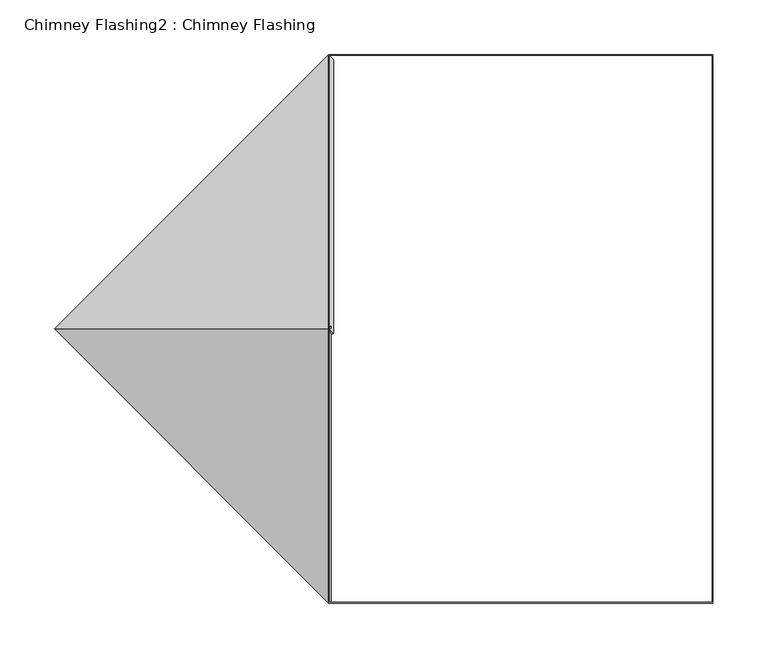
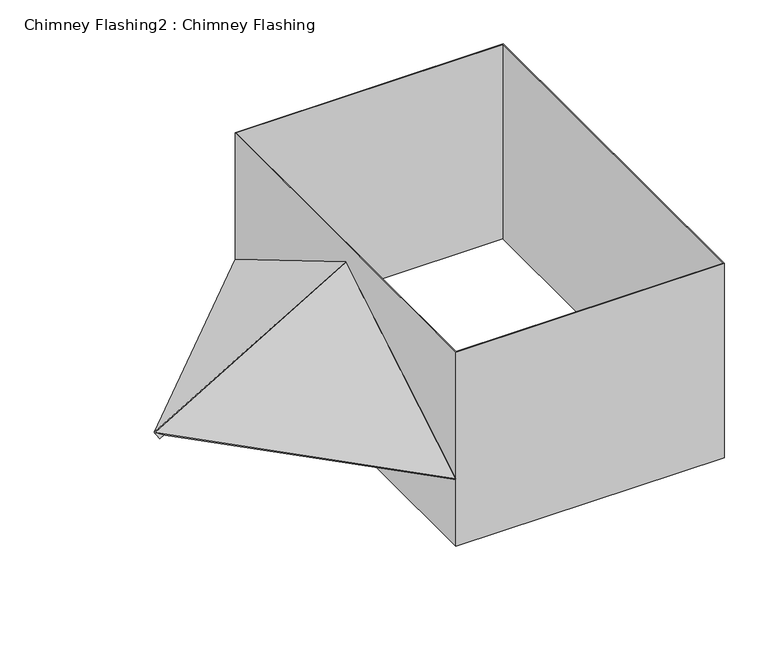
"""IFC4 building model written with IfcOpenShell, lengths in millimetres: proxy geometry, Chimney Flashing2 : Chimney Flashing."""

from ifc_helpers import new_model, si_unit, frame, origin, place, context, project, spatial, polyline, outline, extrude, source, transform, mapped, element, save


def chimney_flashing2_chimney_flashing_6233d302(model_context):
    return source(origin(), model_context, "Body", "SweptSolid", [
        extrude(outline(polyline([(0.0, 0.0), (-177.4838021, -231.688649), (-354.9676042, 0.0), (0.0, 0.0)])), frame((3469.4671383, -1185.4718334, 3591.399561), z_axis=(-0.4545194776720404, 0.4545194776720451, 0.7660444431189792), x_axis=(0.7071067811865512, 0.7071067811865439, 0.0)), (0.0, 0.0, 1.0), 10.0),
        extrude(outline(polyline([(0.0, 0.0), (-177.4838021, -231.688649), (-354.9676042, 0.0), (0.0, 0.0)])), frame((3216.1945409, -1429.6540412, 3595.2297832), z_axis=(-0.45451947767204415, -0.45451947767204176, 0.766044443118979), x_axis=(-0.7071067811865457, 0.7071067811865495, 0.0)), (0.0, 0.0, 1.0), 5.0),
        extrude(outline(polyline([(3464.9219435, -1180.9266386), (3816.9219435, -1180.9266386), (3816.9219435, -1682.9266386), (3464.9219435, -1682.9266386), (3464.9219435, -1180.9266386)]), holes=[polyline([(3465.9219435, -1681.9266386), (3815.9219435, -1681.9266386), (3815.9219435, -1181.9266386), (3465.9219435, -1181.9266386), (3465.9219435, -1681.9266386)])]), frame((0.0, 0.0, 3505.1646635), z_axis=(0.0, 0.0, 1.0), x_axis=(1.0, 0.0, 0.0)), (0.0, 0.0, 1.0), 269.6718079),
    ])


if __name__ == "__main__":
    model = new_model("IFC4")
    model_context = context("Model", 3, world=origin())
    ifc_project = project(units=[si_unit("LENGTHUNIT", "METRE", prefix="MILLI")], contexts=[model_context])
    site = spatial("IfcSite", under=ifc_project)
    building = spatial("IfcBuilding", under=site)
    placement = place(None, origin())
    chimney_flashing2_chimney_flashing_shape = chimney_flashing2_chimney_flashing_6233d302(model_context)
    element("IfcBuildingElementProxy", 1, Name="Chimney Flashing2 : Chimney Flashing", ObjectType="Chimney Flashing2 : Chimney Flashing", at=placement, inside=building, context=model_context, shape_type="MappedRepresentation", body=[
        mapped(chimney_flashing2_chimney_flashing_shape, transform((0.0, 0.0, 0.0), x_axis=(1.0, 0.0, 0.0), y_axis=(0.0, 1.0, 0.0), z_axis=(0.0, 0.0, 1.0))),
    ])
    save(model, "model.ifc")
